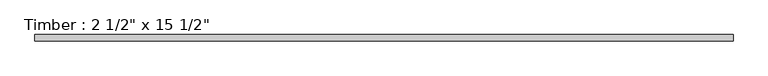
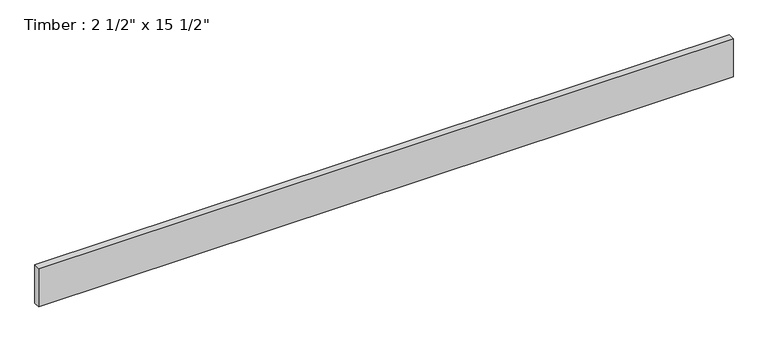
"""IFC4 building model written with IfcOpenShell, lengths in millimetres: beam geometry."""

from ifc_helpers import new_model, si_unit, frame, origin, place, context, project, spatial, polyline, outline, extrude, source, transform, mapped, element, save


def beam_8f9e5f64(model_context):
    return source(origin(), model_context, "Body", "SweptSolid", [
        extrude(outline(polyline([(3390.9, 31.75), (3390.9, -31.75), (-3390.9, -31.75), (-3390.9, 31.75), (3390.9, 31.75)])), frame((0.0, 0.0, -196.85), z_axis=(0.0, 0.0, 1.0), x_axis=(1.0, 0.0, 0.0)), (0.0, 0.0, 1.0), 393.7),
    ])


if __name__ == "__main__":
    model = new_model("IFC4")
    model_context = context("Model", 3, world=origin())
    ifc_project = project(units=[si_unit("LENGTHUNIT", "METRE", prefix="MILLI")], contexts=[model_context])
    site = spatial("IfcSite", under=ifc_project)
    building = spatial("IfcBuilding", under=site)
    placement = place(None, origin())
    beam_shape = beam_8f9e5f64(model_context)
    element("IfcBeam", 1, ObjectType="Timber : 2 1/2\" x 15 1/2\"", at=placement, inside=building, context=model_context, shape_type="MappedRepresentation", body=[
        mapped(beam_shape, transform((0.0, 0.0, 0.0), x_axis=(1.0, 0.0, 0.0), y_axis=(0.0, 1.0, 0.0), z_axis=(0.0, 0.0, 1.0))),
    ])
    save(model, "model.ifc")
